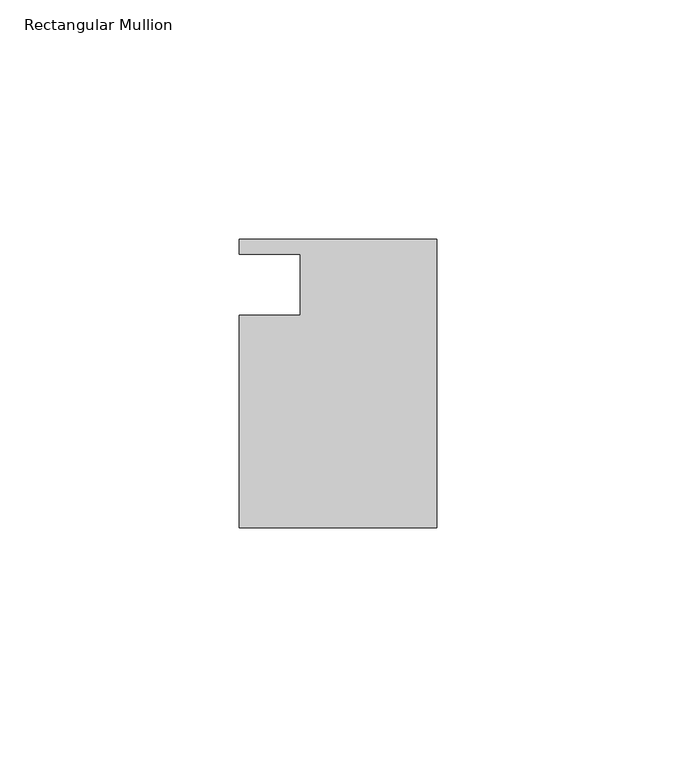
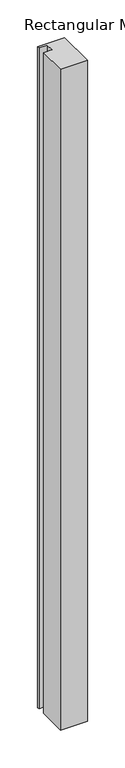
"""IFC4 building model written with IfcOpenShell, lengths in millimetres: member geometry, Rectangular Mullion."""

from ifc_helpers import new_model, si_unit, frame, origin, place, context, project, spatial, polyline, outline, extrude, source, transform, mapped, element, save


def rectangular_mullion_aaa1a322(model_context):
    return source(origin(), model_context, "Body", "SweptSolid", [
        extrude(outline(polyline([(0.0, -30.1625), (-41.275, -30.1625), (-41.275, 14.2875), (-28.575, 14.2875), (-28.575, 26.9875), (-41.275, 26.9875), (-41.275, 30.1625), (0.0, 30.1625), (0.0, -30.1625)])), frame((0.0, 0.0, -1066.8), z_axis=(0.0, 0.0, 1.0), x_axis=(1.0, 0.0, 0.0)), (0.0, 0.0, 1.0), 1066.8),
    ])


if __name__ == "__main__":
    model = new_model("IFC4")
    model_context = context("Model", 3, world=origin())
    ifc_project = project(units=[si_unit("LENGTHUNIT", "METRE", prefix="MILLI")], contexts=[model_context])
    site = spatial("IfcSite", under=ifc_project)
    building = spatial("IfcBuilding", under=site)
    placement = place(None, origin())
    rectangular_mullion_shape = rectangular_mullion_aaa1a322(model_context)
    element("IfcMember", 1, ObjectType="Rectangular Mullion", at=placement, inside=building, context=model_context, shape_type="MappedRepresentation", body=[
        mapped(rectangular_mullion_shape, transform((0.0, 0.0, 0.0), x_axis=(1.0, 0.0, 0.0), y_axis=(0.0, 1.0, 0.0), z_axis=(0.0, 0.0, 1.0))),
    ])
    save(model, "model.ifc")
